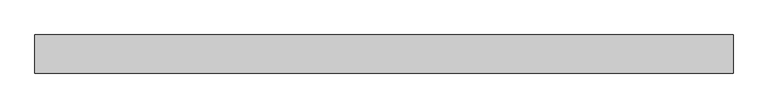
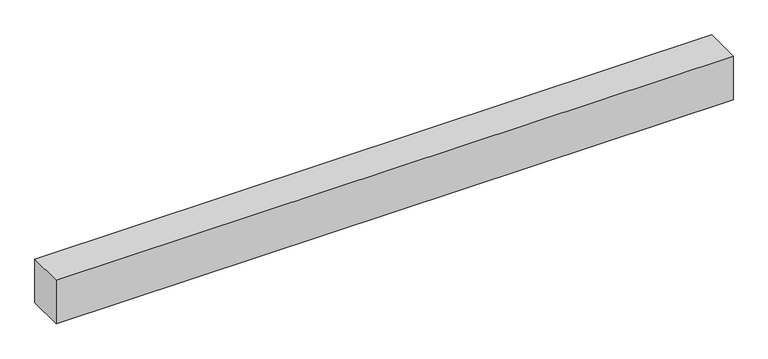
"""IFC4 building model written with IfcOpenShell, lengths in millimetres: proxy geometry."""

from ifc_helpers import new_model, si_unit, frame, origin, place, context, project, spatial, polyline, outline, extrude, source, transform, mapped, element, save


def generic_models_6931149d(model_context):
    return source(origin(), model_context, "Body", "SweptSolid", [
        extrude(outline(polyline([(40.0, 0.0), (-40.0, 0.0), (-40.0, 1464.2640687), (40.0, 1464.2640687), (40.0, 0.0)])), frame((1464.2640687, 0.0, 0.0), z_axis=(0.0, -1.9783474858313244e-12, 1.0), x_axis=(0.0, 1.0, 1.9783474858313244e-12)), (0.0, 0.0, 1.0), 100.0),
    ])


if __name__ == "__main__":
    model = new_model("IFC4")
    model_context = context("Model", 3, world=origin())
    ifc_project = project(units=[si_unit("LENGTHUNIT", "METRE", prefix="MILLI")], contexts=[model_context])
    site = spatial("IfcSite", under=ifc_project)
    building = spatial("IfcBuilding", under=site)
    placement = place(None, origin())
    generic_models_shape = generic_models_6931149d(model_context)
    element("IfcBuildingElementProxy", 1, Name="Generic Models", at=placement, inside=building, context=model_context, shape_type="MappedRepresentation", body=[
        mapped(generic_models_shape, transform((0.0, 0.0, 0.0), x_axis=(1.0, 0.0, 0.0), y_axis=(0.0, 1.0, 0.0), z_axis=(0.0, 0.0, 1.0))),
    ])
    save(model, "model.ifc")
